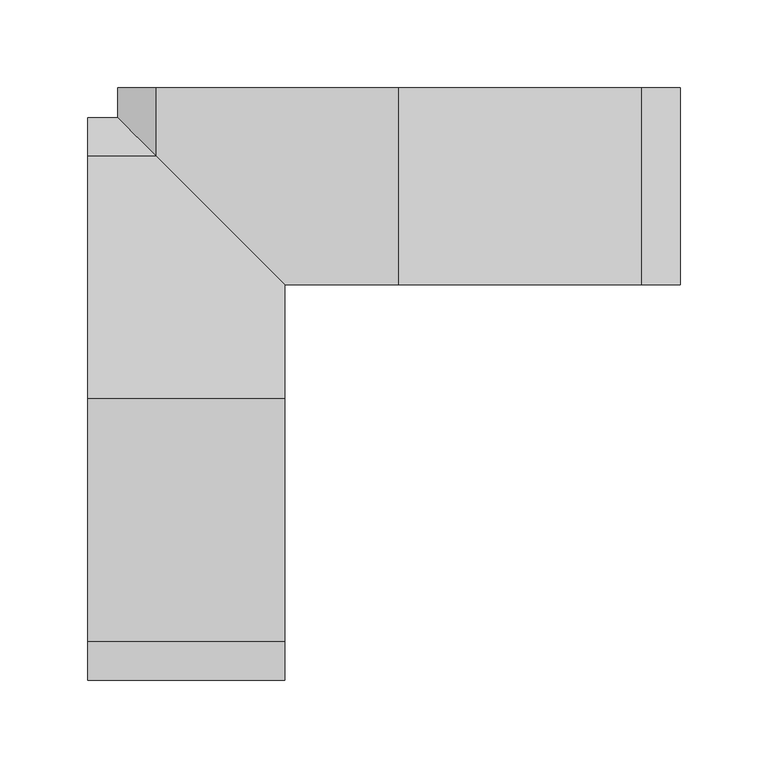
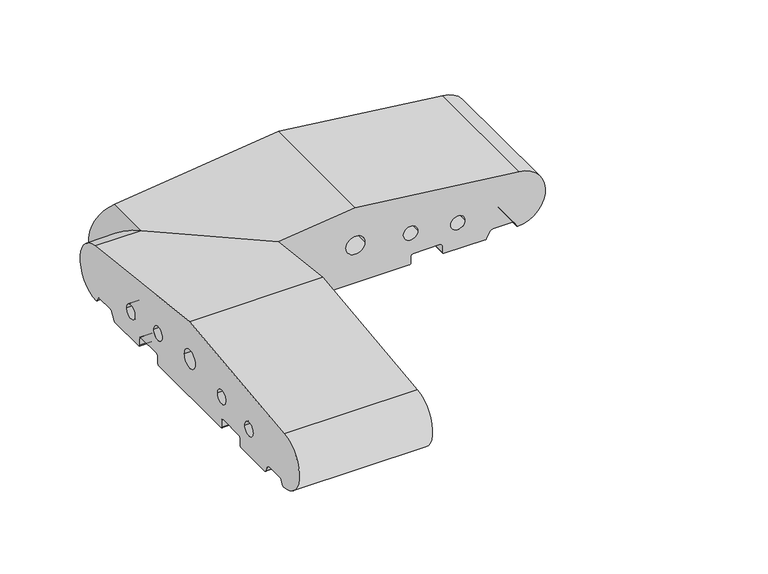
"""IFC4 building model written with IfcOpenShell, lengths in millimetres: proxy geometry."""

from ifc_helpers import new_model, si_unit, frame, origin, place, context, project, spatial, polyline, circle_curve, ellipse_curve, source, transform, mapped, element, save
from ifc_brep_helpers import plane_surface, cylinder_surface, revolved_surface, advanced_brep


def generic_models_8c4f1332(model_context):
    return source(origin(), model_context, "Body", "AdvancedBrep", [
        advanced_brep(
        [(1687.0, -61.5, 9.0), (1687.0, -45.0, 9.0), (1687.0, -45.0, 59.0930149), (1687.0, -110.0, 66.8161089), (1687.0, -248.0858073, 50.4091909), (1687.0, -246.5981483, 2.5074549), (1687.0, -245.7072001, 3.0071443), (1687.0, -243.6905989, 6.5), (1687.0, -241.9585481, 7.5), (1687.0, -225.4848276, 7.5), (1687.0, -223.7527767, 6.5), (1687.0, -220.2886751, 0.5), (1687.0, -219.4226497, 0.0), (1687.0, -184.5, 0.0), (1687.0, -183.5, 1.0), (1687.0, -183.5, 7.0), (1687.0, -181.5, 9.0), (1687.0, -158.5, 9.0), (1687.0, -156.5, 7.0), (1687.0, -156.5, 1.0), (1687.0, -155.5, 0.0), (1687.0, -64.5, 0.0), (1687.0, -63.5, 1.0), (1687.0, -63.5, 7.0), (1687.0, -202.220606, 23.1932995), (1687.0, -190.220606, 23.1932995), (1687.0, -162.5, 27.912776), (1687.0, -150.5, 27.912776), (1687.0, -117.9558517, 33.3783502), (1687.0, -102.0441483, 33.3783502), (1687.0, -69.5, 27.912776), (1687.0, -57.5, 27.912776), (1575.0, 26.5981483, 2.5074549), (1575.0, 25.7072001, 3.0071443), (1575.0, 23.6905989, 6.5), (1575.0, 21.9585481, 7.5), (1575.0, 5.4848276, 7.5), (1575.0, 3.7527767, 6.5), (1575.0, 0.2886751, 0.5), (1575.0, -0.5773503, 0.0), (1575.0, -35.5, 0.0), (1575.0, -36.5, 1.0), (1575.0, -36.5, 7.0), (1575.0, -38.5, 9.0), (1575.0, -61.5, 9.0), (1575.0, -63.5, 7.0), (1575.0, -63.5, 1.0), (1575.0, -64.5, 0.0), (1575.0, -155.5, 0.0), (1575.0, -156.5, 1.0), (1575.0, -156.5, 7.0), (1575.0, -158.5, 9.0), (1575.0, -181.5, 9.0), (1575.0, -183.5, 7.0), (1575.0, -183.5, 1.0), (1575.0, -184.5, 0.0), (1575.0, -219.4226497, 0.0), (1575.0, -220.2886751, 0.5), (1575.0, -223.7527767, 6.5), (1575.0, -225.4848276, 7.5), (1575.0, -241.9585481, 7.5), (1575.0, -243.6905989, 6.5), (1575.0, -245.7072001, 3.0071443), (1575.0, -246.5981483, 2.5074549), (1575.0, -248.0858073, 50.4091909), (1575.0, -110.0, 66.8161089), (1575.0, 28.0858073, 50.4091909), (1575.0, -202.220606, 23.1932995), (1575.0, -190.220606, 23.1932995), (1575.0, -162.5, 27.912776), (1575.0, -150.5, 27.912776), (1575.0, -117.9558517, 33.3783502), (1575.0, -102.0441483, 33.3783502), (1575.0, -69.5, 27.912776), (1575.0, -57.5, 27.912776), (1575.0, -29.779394, 23.1932995), (1575.0, -17.779394, 23.1932995), (1615.4018517, 26.5981483, 2.5074549), (1616.2927999, 25.7072001, 3.0071443), (1618.3094011, 23.6905989, 6.5), (1620.0414519, 21.9585481, 7.5), (1636.5151724, 5.4848276, 7.5), (1638.2472233, 3.7527767, 6.5), (1641.7113249, 0.2886751, 0.5), (1642.5773503, -0.5773503, 0.0), (1677.5, -35.5, 0.0), (1678.5, -36.5, 1.0), (1678.5, -36.5, 7.0), (1680.5, -38.5, 9.0), (1613.9141927, 28.0858073, 50.4091909), (1671.779394, -29.779394, 23.1932995), (1659.779394, -17.779394, 23.1932995)],
        [
            (0, 1),
            (1, 2),
            (2, 3),
            (3, 4),
            (4, 5, circle_curve(frame((1687.0, -246.0, 26.5), z_axis=(1.0, 0.0, 0.0), x_axis=(0.0, -0.08690863944627836, 0.9962162859487877)), 24.0)),
            (5, 6, circle_curve(frame((1687.0, -246.5732255, 3.5071443), z_axis=(1.0, 0.0, 0.0), x_axis=(0.0, -0.024922847684081085, -0.999689377588517)), 1.0)),
            (6, 7),
            (7, 8, circle_curve(frame((1687.0, -241.9585481, 5.5), z_axis=(-1.0, 0.0, 0.0), x_axis=(0.0, -0.8660254037844379, 0.5000000000000012)), 2.0)),
            (8, 9),
            (9, 10, circle_curve(frame((1687.0, -225.4848276, 5.5), z_axis=(-1.0, 0.0, 0.0), x_axis=(0.0, 0.0, 1.0)), 2.0)),
            (10, 11),
            (11, 12, circle_curve(frame((1687.0, -219.4226497, 1.0), z_axis=(1.0, 0.0, 0.0), x_axis=(0.0, -0.8660254037844339, -0.5000000000000082)), 1.0)),
            (12, 13),
            (13, 14, circle_curve(frame((1687.0, -184.5, 1.0), z_axis=(1.0, 0.0, 0.0), x_axis=(0.0, 0.0, -1.0)), 1.0)),
            (14, 15),
            (15, 16, circle_curve(frame((1687.0, -181.5, 7.0), z_axis=(-1.0, 0.0, 0.0), x_axis=(0.0, -1.0, 0.0)), 2.0)),
            (16, 17),
            (17, 18, circle_curve(frame((1687.0, -158.5, 7.0), z_axis=(-1.0, 0.0, 0.0), x_axis=(0.0, 0.0, 1.0)), 2.0)),
            (18, 19),
            (19, 20, circle_curve(frame((1687.0, -155.5, 1.0), z_axis=(1.0, 0.0, 0.0), x_axis=(0.0, -1.0, 0.0)), 1.0)),
            (20, 21),
            (21, 22, circle_curve(frame((1687.0, -64.5, 1.0), z_axis=(1.0, 0.0, 0.0), x_axis=(0.0, 1.0, 0.0)), 1.0)),
            (22, 23),
            (23, 0, circle_curve(frame((1687.0, -61.5, 7.0), z_axis=(-1.0, 0.0, 0.0), x_axis=(0.0, 0.0, 1.0)), 2.0)),
            (24, 25, circle_curve(frame((1687.0, -196.220606, 23.1932995), z_axis=(-1.0, 0.0, 0.0), x_axis=(0.0, 1.0, 0.0)), 6.0)),
            (25, 24, circle_curve(frame((1687.0, -196.220606, 23.1932995), z_axis=(-1.0, 0.0, 0.0), x_axis=(0.0, 1.0, 0.0)), 6.0)),
            (26, 27, circle_curve(frame((1687.0, -156.5, 27.912776), z_axis=(-1.0, 0.0, 0.0), x_axis=(0.0, 1.0, 0.0)), 6.0)),
            (27, 26, circle_curve(frame((1687.0, -156.5, 27.912776), z_axis=(-1.0, 0.0, 0.0), x_axis=(0.0, 1.0, 0.0)), 6.0)),
            (28, 29, circle_curve(frame((1687.0, -110.0, 33.3783502), z_axis=(-1.0, 0.0, 0.0), x_axis=(0.0, 1.0, 0.0)), 7.9558517)),
            (29, 28, circle_curve(frame((1687.0, -110.0, 33.3783502), z_axis=(-1.0, 0.0, 0.0), x_axis=(0.0, 1.0, 0.0)), 7.9558517)),
            (30, 31, circle_curve(frame((1687.0, -63.5, 27.912776), z_axis=(-1.0, 0.0, 0.0), x_axis=(0.0, 1.0, 0.0)), 6.0)),
            (31, 30, circle_curve(frame((1687.0, -63.5, 27.912776), z_axis=(-1.0, 0.0, 0.0), x_axis=(0.0, 1.0, 0.0)), 6.0)),
            (32, 33, circle_curve(frame((1575.0, 26.5732255, 3.5071443), z_axis=(-1.0, 0.0, 0.0), x_axis=(0.0, 0.024922847684081085, -0.999689377588517)), 1.0)),
            (33, 34),
            (34, 35, circle_curve(frame((1575.0, 21.9585481, 5.5), z_axis=(1.0, 0.0, 0.0), x_axis=(0.0, 0.8660254037844379, 0.5000000000000012)), 2.0)),
            (35, 36),
            (36, 37, circle_curve(frame((1575.0, 5.4848276, 5.5), z_axis=(1.0, 0.0, 0.0), x_axis=(0.0, 0.0, 1.0)), 2.0)),
            (37, 38),
            (38, 39, circle_curve(frame((1575.0, -0.5773503, 1.0), z_axis=(-1.0, 0.0, 0.0), x_axis=(0.0, 0.8660254037844339, -0.5000000000000082)), 1.0)),
            (39, 40),
            (40, 41, circle_curve(frame((1575.0, -35.5, 1.0), z_axis=(-1.0, 0.0, 0.0), x_axis=(0.0, 0.0, -1.0)), 1.0)),
            (41, 42),
            (42, 43, circle_curve(frame((1575.0, -38.5, 7.0), z_axis=(1.0, 0.0, 0.0), x_axis=(0.0, 1.0, 0.0)), 2.0)),
            (43, 44),
            (44, 45, circle_curve(frame((1575.0, -61.5, 7.0), z_axis=(1.0, 0.0, 0.0), x_axis=(0.0, 0.0, 1.0)), 2.0)),
            (45, 46),
            (46, 47, circle_curve(frame((1575.0, -64.5, 1.0), z_axis=(-1.0, 0.0, 0.0), x_axis=(0.0, 1.0, 0.0)), 1.0)),
            (47, 48),
            (48, 49, circle_curve(frame((1575.0, -155.5, 1.0), z_axis=(-1.0, 0.0, 0.0), x_axis=(0.0, -1.0, 0.0)), 1.0)),
            (49, 50),
            (50, 51, circle_curve(frame((1575.0, -158.5, 7.0), z_axis=(1.0, 0.0, 0.0), x_axis=(0.0, 0.0, 1.0)), 2.0)),
            (51, 52),
            (52, 53, circle_curve(frame((1575.0, -181.5, 7.0), z_axis=(1.0, 0.0, 0.0), x_axis=(0.0, -1.0, 0.0)), 2.0)),
            (53, 54),
            (54, 55, circle_curve(frame((1575.0, -184.5, 1.0), z_axis=(-1.0, 0.0, 0.0), x_axis=(0.0, 0.0, -1.0)), 1.0)),
            (55, 56),
            (56, 57, circle_curve(frame((1575.0, -219.4226497, 1.0), z_axis=(-1.0, 0.0, 0.0), x_axis=(0.0, -0.8660254037844339, -0.5000000000000082)), 1.0)),
            (57, 58),
            (58, 59, circle_curve(frame((1575.0, -225.4848276, 5.5), z_axis=(1.0, 0.0, 0.0), x_axis=(0.0, 0.0, 1.0)), 2.0)),
            (59, 60),
            (60, 61, circle_curve(frame((1575.0, -241.9585481, 5.5), z_axis=(1.0, 0.0, 0.0), x_axis=(0.0, -0.8660254037844379, 0.5000000000000012)), 2.0)),
            (61, 62),
            (62, 63, circle_curve(frame((1575.0, -246.5732255, 3.5071443), z_axis=(-1.0, 0.0, 0.0), x_axis=(0.0, -0.024922847684081085, -0.999689377588517)), 1.0)),
            (63, 64, circle_curve(frame((1575.0, -246.0, 26.5), z_axis=(-1.0, 0.0, 0.0), x_axis=(0.0, -0.08690863944627836, 0.9962162859487877)), 24.0)),
            (64, 65),
            (65, 66),
            (66, 32, circle_curve(frame((1575.0, 26.0, 26.5), z_axis=(-1.0, 0.0, 0.0), x_axis=(0.0, 0.08690863944627836, 0.9962162859487877)), 24.0)),
            (67, 68, circle_curve(frame((1575.0, -196.220606, 23.1932995), z_axis=(1.0, 0.0, 0.0), x_axis=(0.0, 1.0, 0.0)), 6.0)),
            (68, 67, circle_curve(frame((1575.0, -196.220606, 23.1932995), z_axis=(1.0, 0.0, 0.0), x_axis=(0.0, 1.0, 0.0)), 6.0)),
            (69, 70, circle_curve(frame((1575.0, -156.5, 27.912776), z_axis=(1.0, 0.0, 0.0), x_axis=(0.0, 1.0, 0.0)), 6.0)),
            (70, 69, circle_curve(frame((1575.0, -156.5, 27.912776), z_axis=(1.0, 0.0, 0.0), x_axis=(0.0, 1.0, 0.0)), 6.0)),
            (71, 72, circle_curve(frame((1575.0, -110.0, 33.3783502), z_axis=(1.0, 0.0, 0.0), x_axis=(0.0, 1.0, 0.0)), 7.9558517)),
            (72, 71, circle_curve(frame((1575.0, -110.0, 33.3783502), z_axis=(1.0, 0.0, 0.0), x_axis=(0.0, 1.0, 0.0)), 7.9558517)),
            (73, 74, circle_curve(frame((1575.0, -63.5, 27.912776), z_axis=(1.0, 0.0, 0.0), x_axis=(0.0, 1.0, 0.0)), 6.0)),
            (74, 73, circle_curve(frame((1575.0, -63.5, 27.912776), z_axis=(1.0, 0.0, 0.0), x_axis=(0.0, 1.0, 0.0)), 6.0)),
            (75, 76, circle_curve(frame((1575.0, -23.779394, 23.1932995), z_axis=(1.0, 0.0, 0.0), x_axis=(0.0, 1.0, 0.0)), 6.0)),
            (76, 75, circle_curve(frame((1575.0, -23.779394, 23.1932995), z_axis=(1.0, 0.0, 0.0), x_axis=(0.0, 1.0, 0.0)), 6.0)),
            (32, 77),
            (77, 78, ellipse_curve(frame((1615.4267745, 26.5732255, 3.5071443), z_axis=(-0.7071067811865447, -0.7071067811865503, 0.0), x_axis=(0.7071067811865503, -0.7071067811865447, 0.0)), 1.4142136, 1.0)),
            (78, 33),
            (78, 79),
            (79, 34),
            (79, 80, ellipse_curve(frame((1620.0414519, 21.9585481, 5.5), z_axis=(0.7071067811865447, 0.7071067811865503, 0.0), x_axis=(-0.7071067811865503, 0.7071067811865447, 0.0)), 2.8284271, 2.0)),
            (80, 35),
            (80, 81),
            (81, 36),
            (81, 82, ellipse_curve(frame((1636.5151724, 5.4848276, 5.5), z_axis=(0.7071067811865447, 0.7071067811865503, 0.0), x_axis=(-0.7071067811865503, 0.7071067811865447, 0.0)), 2.8284271, 2.0)),
            (82, 37),
            (82, 83),
            (83, 38),
            (83, 84, ellipse_curve(frame((1642.5773503, -0.5773503, 1.0), z_axis=(-0.7071067811865447, -0.7071067811865503, 0.0), x_axis=(0.7071067811865503, -0.7071067811865447, 0.0)), 1.4142136, 1.0)),
            (84, 39),
            (84, 85),
            (85, 40),
            (85, 86, ellipse_curve(frame((1677.5, -35.5, 1.0), z_axis=(-0.7071067811865447, -0.7071067811865503, 0.0), x_axis=(0.7071067811865503, -0.7071067811865447, 0.0)), 1.4142136, 1.0)),
            (86, 41),
            (86, 87),
            (87, 42),
            (87, 88, ellipse_curve(frame((1680.5, -38.5, 7.0), z_axis=(0.7071067811865447, 0.7071067811865503, 0.0), x_axis=(-0.7071067811865503, 0.7071067811865447, 0.0)), 2.8284271, 2.0)),
            (88, 43),
            (88, 1),
            (0, 44),
            (23, 45),
            (22, 46),
            (21, 47),
            (20, 48),
            (19, 49),
            (18, 50),
            (17, 51),
            (16, 52),
            (15, 53),
            (14, 54),
            (13, 55),
            (12, 56),
            (11, 57),
            (10, 58),
            (9, 59),
            (8, 60),
            (7, 61),
            (6, 62),
            (5, 63),
            (4, 64),
            (3, 65),
            (2, 89),
            (89, 66),
            (89, 77, ellipse_curve(frame((1616.0, 26.0, 26.5), z_axis=(-0.7071067811865447, -0.7071067811865503, 0.0), x_axis=(0.7071067811865503, -0.7071067811865447, 0.0)), 33.9411255, 24.0)),
            (25, 68),
            (67, 24),
            (27, 70),
            (69, 26),
            (29, 72),
            (71, 28),
            (31, 74),
            (73, 30),
            (75, 90),
            (90, 91, ellipse_curve(frame((1665.779394, -23.779394, 23.1932995), z_axis=(0.7071067811865447, 0.7071067811865503, 0.0), x_axis=(-0.7071067811865503, 0.7071067811865447, 0.0)), 8.4852814, 6.0)),
            (91, 76),
            (91, 90, ellipse_curve(frame((1665.779394, -23.779394, 23.1932995), z_axis=(0.7071067811865447, 0.7071067811865503, 0.0), x_axis=(-0.7071067811865503, 0.7071067811865447, 0.0)), 8.4852814, 6.0)),
        ],
        [
            plane_surface(frame((1687.0, 0.0, 0.0), z_axis=(1.0, 0.0, 0.0), x_axis=(0.0, 0.0, 1.0))),
            plane_surface(frame((1575.0, 0.0, 0.0), z_axis=(-1.0, 0.0, 0.0), x_axis=(0.0, 0.0, 1.0))),
            cylinder_surface(frame((1687.0, 26.5732255, 3.5071443), z_axis=(1.0000000000000002, 0.0, 0.0), x_axis=(0.0, 0.024922847684081085, -0.999689377588517)), 1.0),
            plane_surface(frame((1687.0, 25.7072001, 3.0071443), z_axis=(0.0, -0.8660254037844368, -0.5000000000000032), x_axis=(-1.0, 0.0, 0.0))),
            revolved_surface(polyline([(1575.0, 23.690598907568877, 6.500000000000003), (1622.0414518825019, 23.690598907568877, 6.500000000000003)]), (1687.0, 21.9585481, 5.5), (-1.0, 0.0, 0.0)),
            plane_surface(frame((1687.0, 21.9585481, 7.5), z_axis=(0.0, 0.0, -1.0), x_axis=(-1.0, 0.0, 0.0))),
            revolved_surface(polyline([(1575.0, 5.4848276, 7.5), (1638.5151723825018, 5.4848276, 7.5)]), (1687.0, 5.4848276, 5.5), (-1.0, 0.0, 0.0)),
            plane_surface(frame((1687.0, 3.7527767, 6.5), z_axis=(0.0, 0.8660254037844349, -0.5000000000000064), x_axis=(-1.0, 0.0, 0.0))),
            cylinder_surface(frame((1687.0, -0.5773503, 1.0), z_axis=(1.0, 0.0, 0.0), x_axis=(0.0, 0.8660254037844339, -0.5000000000000082)), 1.0),
            plane_surface(frame((1687.0, -0.5773503, 0.0), z_axis=(0.0, 0.0, -1.0), x_axis=(-1.0, 0.0, 0.0))),
            cylinder_surface(frame((1687.0, -35.5, 1.0), z_axis=(1.0, 0.0, 0.0), x_axis=(0.0, 0.0, -1.0)), 1.0),
            plane_surface(frame((1687.0, -36.5, 1.0), z_axis=(0.0, -1.0, 0.0), x_axis=(-1.0, 0.0, 0.0))),
            revolved_surface(polyline([(1575.0, -36.5, 7.0), (1682.4999999825018, -36.5, 7.0)]), (1687.0, -38.5, 7.0), (-1.0, 0.0, 0.0)),
            plane_surface(frame((1687.0, -38.5, 9.0), z_axis=(0.0, 0.0, -1.0), x_axis=(-1.0, 0.0, 0.0))),
            revolved_surface(polyline([(1575.0, -61.5, 9.0), (1687.0, -61.5, 9.0)]), (1687.0, -61.5, 7.0), (-1.0, 0.0, 0.0)),
            plane_surface(frame((1687.0, -63.5, 7.0), z_axis=(0.0, 1.0, 0.0), x_axis=(-1.0, 0.0, 0.0))),
            cylinder_surface(frame((1687.0, -64.5, 1.0), z_axis=(1.0, 0.0, 0.0), x_axis=(0.0, 1.0, 0.0)), 1.0),
            plane_surface(frame((1687.0, -64.5, 0.0), z_axis=(0.0, 0.0, -1.0), x_axis=(-1.0, 0.0, 0.0))),
            cylinder_surface(frame((1687.0, -155.5, 1.0), z_axis=(1.0, 0.0, 0.0), x_axis=(0.0, -1.0, 0.0)), 1.0),
            plane_surface(frame((1687.0, -156.5, 1.0), z_axis=(0.0, -1.0, 0.0), x_axis=(-1.0, 0.0, 0.0))),
            revolved_surface(polyline([(1575.0, -158.5, 9.0), (1687.0, -158.5, 9.0)]), (1687.0, -158.5, 7.0), (-1.0, 0.0, 0.0)),
            plane_surface(frame((1687.0, -158.5, 9.0), z_axis=(0.0, 0.0, -1.0), x_axis=(-1.0, 0.0, 0.0))),
            revolved_surface(polyline([(1575.0, -183.5, 7.0), (1687.0, -183.5, 7.0)]), (1687.0, -181.5, 7.0), (-1.0, 0.0, 0.0)),
            plane_surface(frame((1687.0, -183.5, 7.0), z_axis=(0.0, 1.0, 0.0), x_axis=(-1.0, 0.0, 0.0))),
            cylinder_surface(frame((1687.0, -184.5, 1.0), z_axis=(1.0, 0.0, 0.0), x_axis=(0.0, 0.0, -1.0)), 1.0),
            plane_surface(frame((1687.0, -184.5, 0.0), z_axis=(0.0, 0.0, -1.0), x_axis=(-1.0, 0.0, 0.0))),
            cylinder_surface(frame((1687.0, -219.4226497, 1.0), z_axis=(1.0, 0.0, 0.0), x_axis=(0.0, -0.8660254037844339, -0.5000000000000082)), 1.0),
            plane_surface(frame((1687.0, -220.2886751, 0.5), z_axis=(0.0, -0.8660254037844349, -0.5000000000000064), x_axis=(-1.0, 0.0, 0.0))),
            revolved_surface(polyline([(1575.0, -225.4848276, 7.5), (1687.0, -225.4848276, 7.5)]), (1687.0, -225.4848276, 5.5), (-1.0, 0.0, 0.0)),
            plane_surface(frame((1687.0, -225.4848276, 7.5), z_axis=(0.0, 0.0, -1.0), x_axis=(-1.0, 0.0, 0.0))),
            revolved_surface(polyline([(1575.0, -243.69059890756887, 6.500000000000003), (1687.0, -243.69059890756887, 6.500000000000003)]), (1687.0, -241.9585481, 5.5), (-1.0, 0.0, 0.0)),
            plane_surface(frame((1687.0, -243.6905989, 6.5), z_axis=(0.0, 0.8660254037844368, -0.5000000000000032), x_axis=(-1.0, 0.0, 0.0))),
            cylinder_surface(frame((1687.0, -246.5732255, 3.5071443), z_axis=(1.0000000000000002, 0.0, 0.0), x_axis=(0.0, -0.024922847684081085, -0.999689377588517)), 1.0),
            cylinder_surface(frame((1687.0, -246.0, 26.5), z_axis=(1.0, 0.0, 0.0), x_axis=(0.0, -0.08690863944627836, 0.9962162859487877)), 24.0),
            plane_surface(frame((1687.0, -248.0858073, 50.4091909), z_axis=(0.0, -0.11798691299107526, 0.9930151501174777), x_axis=(-1.0, 0.0, 0.0))),
            plane_surface(frame((1687.0, -110.0, 66.8161089), z_axis=(0.0, 0.11798691299107526, 0.9930151501174777), x_axis=(-1.0, 0.0, 0.0))),
            cylinder_surface(frame((1687.0, 26.0, 26.5), z_axis=(1.0, 0.0, 0.0), x_axis=(0.0, 0.08690863944627836, 0.9962162859487877)), 24.0),
            revolved_surface(polyline([(1575.0, -190.220606, 23.1932995), (1687.0, -190.220606, 23.1932995)]), (1687.0, -196.220606, 23.1932995), (-1.0, 0.0, 0.0)),
            revolved_surface(polyline([(1575.0, -150.5, 27.912776), (1687.0, -150.5, 27.912776)]), (1687.0, -156.5, 27.912776), (-1.0, 0.0, 0.0)),
            revolved_surface(polyline([(1575.0, -102.0441483, 33.3783502), (1687.0, -102.0441483, 33.3783502)]), (1687.0, -110.0, 33.3783502), (-1.0, 0.0, 0.0)),
            revolved_surface(polyline([(1575.0, -57.5, 27.912776), (1687.0, -57.5, 27.912776)]), (1687.0, -63.5, 27.912776), (-1.0, 0.0, 0.0)),
            revolved_surface(polyline([(1575.0, -17.779394, 23.1932995), (1671.779394018216, -17.779394, 23.1932995)]), (1687.0, -23.779394, 23.1932995), (-1.0, 0.0, 0.0)),
            plane_surface(frame((1687.0, -45.0, 250.0), z_axis=(0.7071067811865447, 0.7071067811865503, 0.0), x_axis=(0.0, 0.0, -1.0))),
        ],
        [
            (0, [[1, 2, 3, 4, 5, 6, 7, 8, 9, 10, 11, 12, 13, 14, 15, 16, 17, 18, 19, 20, 21, 22, 23, 24], [25, 26], [27, 28], [29, 30], [31, 32]]),
            (1, [[33, 34, 35, 36, 37, 38, 39, 40, 41, 42, 43, 44, 45, 46, 47, 48, 49, 50, 51, 52, 53, 54, 55, 56, 57, 58, 59, 60, 61, 62, 63, 64, 65, 66, 67], [68, 69], [70, 71], [72, 73], [74, 75], [76, 77]]),
            (2, [[78, 79, 80, -33]]),
            (3, [[-80, 81, 82, -34]]),
            (4, [[-82, 83, 84, -35]]),
            (5, [[-84, 85, 86, -36]]),
            (6, [[-86, 87, 88, -37]]),
            (7, [[-88, 89, 90, -38]]),
            (8, [[-90, 91, 92, -39]]),
            (9, [[-92, 93, 94, -40]]),
            (10, [[-94, 95, 96, -41]]),
            (11, [[-96, 97, 98, -42]]),
            (12, [[-98, 99, 100, -43]]),
            (13, [[-100, 101, -1, 102, -44]]),
            (14, [[103, -45, -102, -24]]),
            (15, [[104, -46, -103, -23]]),
            (16, [[105, -47, -104, -22]]),
            (17, [[106, -48, -105, -21]]),
            (18, [[107, -49, -106, -20]]),
            (19, [[108, -50, -107, -19]]),
            (20, [[109, -51, -108, -18]]),
            (21, [[110, -52, -109, -17]]),
            (22, [[111, -53, -110, -16]]),
            (23, [[112, -54, -111, -15]]),
            (24, [[113, -55, -112, -14]]),
            (25, [[114, -56, -113, -13]]),
            (26, [[115, -57, -114, -12]]),
            (27, [[116, -58, -115, -11]]),
            (28, [[117, -59, -116, -10]]),
            (29, [[118, -60, -117, -9]]),
            (30, [[119, -61, -118, -8]]),
            (31, [[120, -62, -119, -7]]),
            (32, [[121, -63, -120, -6]]),
            (33, [[122, -64, -121, -5]]),
            (34, [[123, -65, -122, -4]]),
            (35, [[-123, -3, 124, 125, -66]]),
            (36, [[-125, 126, -78, -67]]),
            (37, [[127, -68, 128, -26]]),
            (37, [[-128, -69, -127, -25]]),
            (38, [[129, -70, 130, -28]]),
            (38, [[-130, -71, -129, -27]]),
            (39, [[131, -72, 132, -30]]),
            (39, [[-132, -73, -131, -29]]),
            (40, [[133, -74, 134, -32]]),
            (40, [[-134, -75, -133, -31]]),
            (41, [[135, 136, 137, -76]]),
            (41, [[-137, 138, -135, -77]]),
            (42, [[-101, -99, -97, -95, -93, -91, -89, -87, -85, -83, -81, -79, -126, -124, -2], [-138, -136]]),
        ],
    ),
        advanced_brep(
        [(1615.4018517, 67.0, 2.5074549), (1613.9141927, 67.0, 50.4091909), (1752.0, 67.0, 66.8161089), (1890.0858073, 67.0, 50.4091909), (1888.5981483, 67.0, 2.5074549), (1887.7072001, 67.0, 3.0071443), (1885.6905989, 67.0, 6.5), (1883.9585481, 67.0, 7.5), (1867.4848276, 67.0, 7.5), (1865.7527767, 67.0, 6.5), (1862.2886751, 67.0, 0.5), (1861.4226497, 67.0, 0.0), (1826.5, 67.0, 0.0), (1825.5, 67.0, 1.0), (1825.5, 67.0, 7.0), (1823.5, 67.0, 9.0), (1800.5, 67.0, 9.0), (1798.5, 67.0, 7.0), (1798.5, 67.0, 1.0), (1797.5, 67.0, 0.0), (1706.5, 67.0, 0.0), (1705.5, 67.0, 1.0), (1705.5, 67.0, 7.0), (1703.5, 67.0, 9.0), (1680.5, 67.0, 9.0), (1678.5, 67.0, 7.0), (1678.5, 67.0, 1.0), (1677.5, 67.0, 0.0), (1642.5773503, 67.0, 0.0), (1641.7113249, 67.0, 0.5), (1638.2472233, 67.0, 6.5), (1636.5151724, 67.0, 7.5), (1620.0414519, 67.0, 7.5), (1618.3094011, 67.0, 6.5), (1616.2927999, 67.0, 3.0071443), (1844.220606, 67.0, 23.1932995), (1832.220606, 67.0, 23.1932995), (1804.5, 67.0, 27.912776), (1792.5, 67.0, 27.912776), (1759.9558517, 67.0, 33.3783502), (1744.0441483, 67.0, 33.3783502), (1711.5, 67.0, 27.912776), (1699.5, 67.0, 27.912776), (1671.779394, 67.0, 23.1932995), (1659.779394, 67.0, 23.1932995), (1752.0, -45.0, 66.8161089), (1687.0, -45.0, 59.0930149), (1687.0, -45.0, 9.0), (1703.5, -45.0, 9.0), (1705.5, -45.0, 7.0), (1705.5, -45.0, 1.0), (1706.5, -45.0, 0.0), (1797.5, -45.0, 0.0), (1798.5, -45.0, 1.0), (1798.5, -45.0, 7.0), (1800.5, -45.0, 9.0), (1823.5, -45.0, 9.0), (1825.5, -45.0, 7.0), (1825.5, -45.0, 1.0), (1826.5, -45.0, 0.0), (1861.4226497, -45.0, 0.0), (1862.2886751, -45.0, 0.5), (1865.7527767, -45.0, 6.5), (1867.4848276, -45.0, 7.5), (1883.9585481, -45.0, 7.5), (1885.6905989, -45.0, 6.5), (1887.7072001, -45.0, 3.0071443), (1888.5981483, -45.0, 2.5074549), (1890.0858073, -45.0, 50.4091909), (1844.220606, -45.0, 23.1932995), (1832.220606, -45.0, 23.1932995), (1804.5, -45.0, 27.912776), (1792.5, -45.0, 27.912776), (1759.9558517, -45.0, 33.3783502), (1744.0441483, -45.0, 33.3783502), (1711.5, -45.0, 27.912776), (1699.5, -45.0, 27.912776), (1616.2927999, 25.7072001, 3.0071443), (1615.4018517, 26.5981483, 2.5074549), (1618.3094011, 23.6905989, 6.5), (1620.0414519, 21.9585481, 7.5), (1636.5151724, 5.4848276, 7.5), (1638.2472233, 3.7527767, 6.5), (1641.7113249, 0.2886751, 0.5), (1642.5773503, -0.5773503, 0.0), (1677.5, -35.5, 0.0), (1678.5, -36.5, 1.0), (1678.5, -36.5, 7.0), (1680.5, -38.5, 9.0), (1613.9141927, 28.0858073, 50.4091909), (1659.779394, -17.779394, 23.1932995), (1671.779394, -29.779394, 23.1932995)],
        [
            (0, 1, circle_curve(frame((1616.0, 67.0, 26.5), z_axis=(0.0, 1.0, 0.0), x_axis=(-0.08690863944627836, 0.0, 0.9962162859487877)), 24.0)),
            (1, 2),
            (2, 3),
            (3, 4, circle_curve(frame((1888.0, 67.0, 26.5), z_axis=(0.0, 1.0, 0.0), x_axis=(0.08690863944627836, 0.0, 0.9962162859487877)), 24.0)),
            (4, 5, circle_curve(frame((1888.5732255, 67.0, 3.5071443), z_axis=(0.0, 1.0, 0.0), x_axis=(0.024922847684081085, 0.0, -0.999689377588517)), 1.0)),
            (5, 6),
            (6, 7, circle_curve(frame((1883.9585481, 67.0, 5.5), z_axis=(0.0, -1.0, 0.0), x_axis=(0.8660254037844379, 0.0, 0.5000000000000012)), 2.0)),
            (7, 8),
            (8, 9, circle_curve(frame((1867.4848276, 67.0, 5.5), z_axis=(0.0, -1.0, 0.0), x_axis=(0.0, 0.0, 1.0)), 2.0)),
            (9, 10),
            (10, 11, circle_curve(frame((1861.4226497, 67.0, 1.0), z_axis=(0.0, 1.0, 0.0), x_axis=(0.8660254037844339, 0.0, -0.5000000000000082)), 1.0)),
            (11, 12),
            (12, 13, circle_curve(frame((1826.5, 67.0, 1.0), z_axis=(0.0, 1.0, 0.0), x_axis=(0.0, 0.0, -1.0)), 1.0)),
            (13, 14),
            (14, 15, circle_curve(frame((1823.5, 67.0, 7.0), z_axis=(0.0, -1.0, 0.0), x_axis=(1.0, 0.0, 0.0)), 2.0)),
            (15, 16),
            (16, 17, circle_curve(frame((1800.5, 67.0, 7.0), z_axis=(0.0, -1.0, 0.0), x_axis=(0.0, 0.0, 1.0)), 2.0)),
            (17, 18),
            (18, 19, circle_curve(frame((1797.5, 67.0, 1.0), z_axis=(0.0, 1.0, 0.0), x_axis=(1.0, 0.0, 0.0)), 1.0)),
            (19, 20),
            (20, 21, circle_curve(frame((1706.5, 67.0, 1.0), z_axis=(0.0, 1.0, 0.0), x_axis=(-1.0, 0.0, 0.0)), 1.0)),
            (21, 22),
            (22, 23, circle_curve(frame((1703.5, 67.0, 7.0), z_axis=(0.0, -1.0, 0.0), x_axis=(0.0, 0.0, 1.0)), 2.0)),
            (23, 24),
            (24, 25, circle_curve(frame((1680.5, 67.0, 7.0), z_axis=(0.0, -1.0, 0.0), x_axis=(-1.0, 0.0, 0.0)), 2.0)),
            (25, 26),
            (26, 27, circle_curve(frame((1677.5, 67.0, 1.0), z_axis=(0.0, 1.0, 0.0), x_axis=(0.0, 0.0, -1.0)), 1.0)),
            (27, 28),
            (28, 29, circle_curve(frame((1642.5773503, 67.0, 1.0), z_axis=(0.0, 1.0, 0.0), x_axis=(-0.8660254037844339, 0.0, -0.5000000000000082)), 1.0)),
            (29, 30),
            (30, 31, circle_curve(frame((1636.5151724, 67.0, 5.5), z_axis=(0.0, -1.0, 0.0), x_axis=(0.0, 0.0, 1.0)), 2.0)),
            (31, 32),
            (32, 33, circle_curve(frame((1620.0414519, 67.0, 5.5), z_axis=(0.0, -1.0, 0.0), x_axis=(-0.8660254037844379, 0.0, 0.5000000000000012)), 2.0)),
            (33, 34),
            (34, 0, circle_curve(frame((1615.4267745, 67.0, 3.5071443), z_axis=(0.0, 1.0, 0.0), x_axis=(-0.024922847684081085, 0.0, -0.999689377588517)), 1.0)),
            (35, 36, circle_curve(frame((1838.220606, 67.0, 23.1932995), z_axis=(0.0, -1.0, 0.0), x_axis=(-1.0, 0.0, 0.0)), 6.0)),
            (36, 35, circle_curve(frame((1838.220606, 67.0, 23.1932995), z_axis=(0.0, -1.0, 0.0), x_axis=(-1.0, 0.0, 0.0)), 6.0)),
            (37, 38, circle_curve(frame((1798.5, 67.0, 27.912776), z_axis=(0.0, -1.0, 0.0), x_axis=(-1.0, 0.0, 0.0)), 6.0)),
            (38, 37, circle_curve(frame((1798.5, 67.0, 27.912776), z_axis=(0.0, -1.0, 0.0), x_axis=(-1.0, 0.0, 0.0)), 6.0)),
            (39, 40, circle_curve(frame((1752.0, 67.0, 33.3783502), z_axis=(0.0, -1.0, 0.0), x_axis=(-1.0, 0.0, 0.0)), 7.9558517)),
            (40, 39, circle_curve(frame((1752.0, 67.0, 33.3783502), z_axis=(0.0, -1.0, 0.0), x_axis=(-1.0, 0.0, 0.0)), 7.9558517)),
            (41, 42, circle_curve(frame((1705.5, 67.0, 27.912776), z_axis=(0.0, -1.0, 0.0), x_axis=(-1.0, 0.0, 0.0)), 6.0)),
            (42, 41, circle_curve(frame((1705.5, 67.0, 27.912776), z_axis=(0.0, -1.0, 0.0), x_axis=(-1.0, 0.0, 0.0)), 6.0)),
            (43, 44, circle_curve(frame((1665.779394, 67.0, 23.1932995), z_axis=(0.0, -1.0, 0.0), x_axis=(-1.0, 0.0, 0.0)), 6.0)),
            (44, 43, circle_curve(frame((1665.779394, 67.0, 23.1932995), z_axis=(0.0, -1.0, 0.0), x_axis=(-1.0, 0.0, 0.0)), 6.0)),
            (45, 46),
            (46, 47),
            (47, 48),
            (48, 49, circle_curve(frame((1703.5, -45.0, 7.0), z_axis=(0.0, 1.0, 0.0), x_axis=(0.0, 0.0, 1.0)), 2.0)),
            (49, 50),
            (50, 51, circle_curve(frame((1706.5, -45.0, 1.0), z_axis=(0.0, -1.0, 0.0), x_axis=(-1.0, 0.0, 0.0)), 1.0)),
            (51, 52),
            (52, 53, circle_curve(frame((1797.5, -45.0, 1.0), z_axis=(0.0, -1.0, 0.0), x_axis=(1.0, 0.0, 0.0)), 1.0)),
            (53, 54),
            (54, 55, circle_curve(frame((1800.5, -45.0, 7.0), z_axis=(0.0, 1.0, 0.0), x_axis=(0.0, 0.0, 1.0)), 2.0)),
            (55, 56),
            (56, 57, circle_curve(frame((1823.5, -45.0, 7.0), z_axis=(0.0, 1.0, 0.0), x_axis=(1.0, 0.0, 0.0)), 2.0)),
            (57, 58),
            (58, 59, circle_curve(frame((1826.5, -45.0, 1.0), z_axis=(0.0, -1.0, 0.0), x_axis=(0.0, 0.0, -1.0)), 1.0)),
            (59, 60),
            (60, 61, circle_curve(frame((1861.4226497, -45.0, 1.0), z_axis=(0.0, -1.0, 0.0), x_axis=(0.8660254037844339, 0.0, -0.5000000000000082)), 1.0)),
            (61, 62),
            (62, 63, circle_curve(frame((1867.4848276, -45.0, 5.5), z_axis=(0.0, 1.0, 0.0), x_axis=(0.0, 0.0, 1.0)), 2.0)),
            (63, 64),
            (64, 65, circle_curve(frame((1883.9585481, -45.0, 5.5), z_axis=(0.0, 1.0, 0.0), x_axis=(0.8660254037844379, 0.0, 0.5000000000000012)), 2.0)),
            (65, 66),
            (66, 67, circle_curve(frame((1888.5732255, -45.0, 3.5071443), z_axis=(0.0, -1.0, 0.0), x_axis=(0.024922847684081085, 0.0, -0.999689377588517)), 1.0)),
            (67, 68, circle_curve(frame((1888.0, -45.0, 26.5), z_axis=(0.0, -1.0, 0.0), x_axis=(0.08690863944627836, 0.0, 0.9962162859487877)), 24.0)),
            (68, 45),
            (69, 70, circle_curve(frame((1838.220606, -45.0, 23.1932995), z_axis=(0.0, 1.0, 0.0), x_axis=(-1.0, 0.0, 0.0)), 6.0)),
            (70, 69, circle_curve(frame((1838.220606, -45.0, 23.1932995), z_axis=(0.0, 1.0, 0.0), x_axis=(-1.0, 0.0, 0.0)), 6.0)),
            (71, 72, circle_curve(frame((1798.5, -45.0, 27.912776), z_axis=(0.0, 1.0, 0.0), x_axis=(-1.0, 0.0, 0.0)), 6.0)),
            (72, 71, circle_curve(frame((1798.5, -45.0, 27.912776), z_axis=(0.0, 1.0, 0.0), x_axis=(-1.0, 0.0, 0.0)), 6.0)),
            (73, 74, circle_curve(frame((1752.0, -45.0, 33.3783502), z_axis=(0.0, 1.0, 0.0), x_axis=(-1.0, 0.0, 0.0)), 7.9558517)),
            (74, 73, circle_curve(frame((1752.0, -45.0, 33.3783502), z_axis=(0.0, 1.0, 0.0), x_axis=(-1.0, 0.0, 0.0)), 7.9558517)),
            (75, 76, circle_curve(frame((1705.5, -45.0, 27.912776), z_axis=(0.0, 1.0, 0.0), x_axis=(-1.0, 0.0, 0.0)), 6.0)),
            (76, 75, circle_curve(frame((1705.5, -45.0, 27.912776), z_axis=(0.0, 1.0, 0.0), x_axis=(-1.0, 0.0, 0.0)), 6.0)),
            (34, 77),
            (77, 78, ellipse_curve(frame((1615.4267745, 26.5732255, 3.5071443), z_axis=(0.7071067811865448, 0.7071067811865502, 0.0), x_axis=(-0.7071067811865502, 0.7071067811865448, 0.0)), 1.4142136, 1.0)),
            (78, 0),
            (33, 79),
            (79, 77),
            (32, 80),
            (80, 79, ellipse_curve(frame((1620.0414519, 21.9585481, 5.5), z_axis=(-0.7071067811865448, -0.7071067811865502, 0.0), x_axis=(0.7071067811865502, -0.7071067811865448, 0.0)), 2.8284271, 2.0)),
            (31, 81),
            (81, 80),
            (30, 82),
            (82, 81, ellipse_curve(frame((1636.5151724, 5.4848276, 5.5), z_axis=(-0.7071067811865448, -0.7071067811865502, 0.0), x_axis=(0.7071067811865502, -0.7071067811865448, 0.0)), 2.8284271, 2.0)),
            (29, 83),
            (83, 82),
            (28, 84),
            (84, 83, ellipse_curve(frame((1642.5773503, -0.5773503, 1.0), z_axis=(0.7071067811865448, 0.7071067811865502, 0.0), x_axis=(-0.7071067811865502, 0.7071067811865448, 0.0)), 1.4142136, 1.0)),
            (27, 85),
            (85, 84),
            (26, 86),
            (86, 85, ellipse_curve(frame((1677.5, -35.5, 1.0), z_axis=(0.7071067811865448, 0.7071067811865502, 0.0), x_axis=(-0.7071067811865502, 0.7071067811865448, 0.0)), 1.4142136, 1.0)),
            (25, 87),
            (87, 86),
            (24, 88),
            (88, 87, ellipse_curve(frame((1680.5, -38.5, 7.0), z_axis=(-0.7071067811865448, -0.7071067811865502, 0.0), x_axis=(0.7071067811865502, -0.7071067811865448, 0.0)), 2.8284271, 2.0)),
            (23, 48),
            (47, 88),
            (22, 49),
            (21, 50),
            (20, 51),
            (19, 52),
            (18, 53),
            (17, 54),
            (16, 55),
            (15, 56),
            (14, 57),
            (13, 58),
            (12, 59),
            (11, 60),
            (10, 61),
            (9, 62),
            (8, 63),
            (7, 64),
            (6, 65),
            (5, 66),
            (4, 67),
            (3, 68),
            (2, 45),
            (1, 89),
            (89, 46),
            (78, 89, ellipse_curve(frame((1616.0, 26.0, 26.5), z_axis=(0.7071067811865448, 0.7071067811865502, 0.0), x_axis=(-0.7071067811865502, 0.7071067811865448, 0.0)), 33.9411255, 24.0)),
            (36, 70),
            (69, 35),
            (38, 72),
            (71, 37),
            (40, 74),
            (73, 39),
            (42, 76),
            (75, 41),
            (44, 90),
            (90, 91, ellipse_curve(frame((1665.779394, -23.779394, 23.1932995), z_axis=(-0.7071067811865448, -0.7071067811865502, 0.0), x_axis=(0.7071067811865502, -0.7071067811865448, 0.0)), 8.4852814, 6.0)),
            (91, 43),
            (91, 90, ellipse_curve(frame((1665.779394, -23.779394, 23.1932995), z_axis=(-0.7071067811865448, -0.7071067811865502, 0.0), x_axis=(0.7071067811865502, -0.7071067811865448, 0.0)), 8.4852814, 6.0)),
        ],
        [
            plane_surface(frame((1642.0, 67.0, 0.0), z_axis=(0.0, 1.0, 0.0), x_axis=(0.0, 0.0, 1.0))),
            plane_surface(frame((1642.0, -45.0, 0.0), z_axis=(0.0, -1.0, 0.0), x_axis=(0.0, 0.0, 1.0))),
            cylinder_surface(frame((1615.4267745, 67.0, 3.5071443), z_axis=(0.0, 1.0000000000000002, 0.0), x_axis=(-0.024922847684081085, 0.0, -0.999689377588517)), 1.0),
            plane_surface(frame((1616.2927999, 67.0, 3.0071443), z_axis=(0.8660254037844368, 0.0, -0.5000000000000032), x_axis=(0.0, -1.0, 0.0))),
            revolved_surface(polyline([(1618.3094010924312, 19.95854811749821, 6.500000000000003), (1618.3094010924312, 67.0, 6.500000000000003)]), (1620.0414519, 67.0, 5.5), (0.0, -1.0, 0.0)),
            plane_surface(frame((1620.0414519, 67.0, 7.5), z_axis=(0.0, 0.0, -1.0), x_axis=(0.0, -1.0, 0.0))),
            revolved_surface(polyline([(1636.5151724, 3.484827617498212, 7.5), (1636.5151724, 67.0, 7.5)]), (1636.5151724, 67.0, 5.5), (0.0, -1.0, 0.0)),
            plane_surface(frame((1638.2472233, 67.0, 6.5), z_axis=(-0.8660254037844349, 0.0, -0.5000000000000064), x_axis=(0.0, -1.0, 0.0))),
            cylinder_surface(frame((1642.5773503, 67.0, 1.0), z_axis=(0.0, 1.0, 0.0), x_axis=(-0.8660254037844339, 0.0, -0.5000000000000082)), 1.0),
            plane_surface(frame((1642.5773503, 67.0, 0.0), z_axis=(0.0, 0.0, -1.0), x_axis=(0.0, -1.0, 0.0))),
            cylinder_surface(frame((1677.5, 67.0, 1.0), z_axis=(0.0, 1.0, 0.0), x_axis=(0.0, 0.0, -1.0)), 1.0),
            plane_surface(frame((1678.5, 67.0, 1.0), z_axis=(1.0, 0.0, 0.0), x_axis=(0.0, -1.0, 0.0))),
            revolved_surface(polyline([(1678.5, -40.49999998250179, 7.0), (1678.5, 67.0, 7.0)]), (1680.5, 67.0, 7.0), (0.0, -1.0, 0.0)),
            plane_surface(frame((1680.5, 67.0, 9.0), z_axis=(0.0, 0.0, -1.0), x_axis=(0.0, -1.0, 0.0))),
            revolved_surface(polyline([(1703.5, -45.0, 9.0), (1703.5, 67.0, 9.0)]), (1703.5, 67.0, 7.0), (0.0, -1.0, 0.0)),
            plane_surface(frame((1705.5, 67.0, 7.0), z_axis=(-1.0, 0.0, 0.0), x_axis=(0.0, -1.0, 0.0))),
            cylinder_surface(frame((1706.5, 67.0, 1.0), z_axis=(0.0, 1.0, 0.0), x_axis=(-1.0, 0.0, 0.0)), 1.0),
            plane_surface(frame((1706.5, 67.0, 0.0), z_axis=(0.0, 0.0, -1.0), x_axis=(0.0, -1.0, 0.0))),
            cylinder_surface(frame((1797.5, 67.0, 1.0), z_axis=(0.0, 1.0, 0.0), x_axis=(1.0, 0.0, 0.0)), 1.0),
            plane_surface(frame((1798.5, 67.0, 1.0), z_axis=(1.0, 0.0, 0.0), x_axis=(0.0, -1.0, 0.0))),
            revolved_surface(polyline([(1800.5, -45.0, 9.0), (1800.5, 67.0, 9.0)]), (1800.5, 67.0, 7.0), (0.0, -1.0, 0.0)),
            plane_surface(frame((1800.5, 67.0, 9.0), z_axis=(0.0, 0.0, -1.0), x_axis=(0.0, -1.0, 0.0))),
            revolved_surface(polyline([(1825.5, -45.0, 7.0), (1825.5, 67.0, 7.0)]), (1823.5, 67.0, 7.0), (0.0, -1.0, 0.0)),
            plane_surface(frame((1825.5, 67.0, 7.0), z_axis=(-1.0, 0.0, 0.0), x_axis=(0.0, -1.0, 0.0))),
            cylinder_surface(frame((1826.5, 67.0, 1.0), z_axis=(0.0, 1.0, 0.0), x_axis=(0.0, 0.0, -1.0)), 1.0),
            plane_surface(frame((1826.5, 67.0, 0.0), z_axis=(0.0, 0.0, -1.0), x_axis=(0.0, -1.0, 0.0))),
            cylinder_surface(frame((1861.4226497, 67.0, 1.0), z_axis=(0.0, 1.0, 0.0), x_axis=(0.8660254037844339, 0.0, -0.5000000000000082)), 1.0),
            plane_surface(frame((1862.2886751, 67.0, 0.5), z_axis=(0.8660254037844349, 0.0, -0.5000000000000064), x_axis=(0.0, -1.0, 0.0))),
            revolved_surface(polyline([(1867.4848276, -45.0, 7.5), (1867.4848276, 67.0, 7.5)]), (1867.4848276, 67.0, 5.5), (0.0, -1.0, 0.0)),
            plane_surface(frame((1867.4848276, 67.0, 7.5), z_axis=(0.0, 0.0, -1.0), x_axis=(0.0, -1.0, 0.0))),
            revolved_surface(polyline([(1885.6905989075688, -45.0, 6.500000000000003), (1885.6905989075688, 67.0, 6.500000000000003)]), (1883.9585481, 67.0, 5.5), (0.0, -1.0, 0.0)),
            plane_surface(frame((1885.6905989, 67.0, 6.5), z_axis=(-0.8660254037844368, 0.0, -0.5000000000000032), x_axis=(0.0, -1.0, 0.0))),
            cylinder_surface(frame((1888.5732255, 67.0, 3.5071443), z_axis=(0.0, 1.0000000000000002, 0.0), x_axis=(0.024922847684081085, 0.0, -0.999689377588517)), 1.0),
            cylinder_surface(frame((1888.0, 67.0, 26.5), z_axis=(0.0, 1.0, 0.0), x_axis=(0.08690863944627836, 0.0, 0.9962162859487877)), 24.0),
            plane_surface(frame((1890.0858073, 67.0, 50.4091909), z_axis=(0.11798691299107526, 0.0, 0.9930151501174777), x_axis=(0.0, -1.0, 0.0))),
            plane_surface(frame((1752.0, 67.0, 66.8161089), z_axis=(-0.11798691299107526, 0.0, 0.9930151501174777), x_axis=(0.0, -1.0, 0.0))),
            cylinder_surface(frame((1616.0, 67.0, 26.5), z_axis=(0.0, 1.0, 0.0), x_axis=(-0.08690863944627836, 0.0, 0.9962162859487877)), 24.0),
            revolved_surface(polyline([(1832.220606, -45.0, 23.1932995), (1832.220606, 67.0, 23.1932995)]), (1838.220606, 67.0, 23.1932995), (0.0, -1.0, 0.0)),
            revolved_surface(polyline([(1792.5, -45.0, 27.912776), (1792.5, 67.0, 27.912776)]), (1798.5, 67.0, 27.912776), (0.0, -1.0, 0.0)),
            revolved_surface(polyline([(1744.0441483, -45.0, 33.3783502), (1744.0441483, 67.0, 33.3783502)]), (1752.0, 67.0, 33.3783502), (0.0, -1.0, 0.0)),
            revolved_surface(polyline([(1699.5, -45.0, 27.912776), (1699.5, 67.0, 27.912776)]), (1705.5, 67.0, 27.912776), (0.0, -1.0, 0.0)),
            revolved_surface(polyline([(1659.779394, -29.779394018216053, 23.1932995), (1659.779394, 67.0, 23.1932995)]), (1665.779394, 67.0, 23.1932995), (0.0, -1.0, 0.0)),
            plane_surface(frame((1565.4548382, 76.5451618, 250.0), z_axis=(-0.7071067811865448, -0.7071067811865502, 0.0), x_axis=(0.0, 0.0, -1.0))),
        ],
        [
            (0, [[1, 2, 3, 4, 5, 6, 7, 8, 9, 10, 11, 12, 13, 14, 15, 16, 17, 18, 19, 20, 21, 22, 23, 24, 25, 26, 27, 28, 29, 30, 31, 32, 33, 34, 35], [36, 37], [38, 39], [40, 41], [42, 43], [44, 45]]),
            (1, [[46, 47, 48, 49, 50, 51, 52, 53, 54, 55, 56, 57, 58, 59, 60, 61, 62, 63, 64, 65, 66, 67, 68, 69], [70, 71], [72, 73], [74, 75], [76, 77]]),
            (2, [[78, 79, 80, -35]]),
            (3, [[81, 82, -78, -34]]),
            (4, [[83, 84, -81, -33]]),
            (5, [[85, 86, -83, -32]]),
            (6, [[87, 88, -85, -31]]),
            (7, [[89, 90, -87, -30]]),
            (8, [[91, 92, -89, -29]]),
            (9, [[93, 94, -91, -28]]),
            (10, [[95, 96, -93, -27]]),
            (11, [[97, 98, -95, -26]]),
            (12, [[99, 100, -97, -25]]),
            (13, [[101, -48, 102, -99, -24]]),
            (14, [[103, -49, -101, -23]]),
            (15, [[104, -50, -103, -22]]),
            (16, [[105, -51, -104, -21]]),
            (17, [[106, -52, -105, -20]]),
            (18, [[107, -53, -106, -19]]),
            (19, [[108, -54, -107, -18]]),
            (20, [[109, -55, -108, -17]]),
            (21, [[110, -56, -109, -16]]),
            (22, [[111, -57, -110, -15]]),
            (23, [[112, -58, -111, -14]]),
            (24, [[113, -59, -112, -13]]),
            (25, [[114, -60, -113, -12]]),
            (26, [[115, -61, -114, -11]]),
            (27, [[116, -62, -115, -10]]),
            (28, [[117, -63, -116, -9]]),
            (29, [[118, -64, -117, -8]]),
            (30, [[119, -65, -118, -7]]),
            (31, [[120, -66, -119, -6]]),
            (32, [[121, -67, -120, -5]]),
            (33, [[122, -68, -121, -4]]),
            (34, [[123, -69, -122, -3]]),
            (35, [[124, 125, -46, -123, -2]]),
            (36, [[-80, 126, -124, -1]]),
            (37, [[127, -70, 128, -37]]),
            (37, [[-128, -71, -127, -36]]),
            (38, [[129, -72, 130, -39]]),
            (38, [[-130, -73, -129, -38]]),
            (39, [[131, -74, 132, -41]]),
            (39, [[-132, -75, -131, -40]]),
            (40, [[133, -76, 134, -43]]),
            (40, [[-134, -77, -133, -42]]),
            (41, [[135, 136, 137, -45]]),
            (41, [[-137, 138, -135, -44]]),
            (42, [[-125, -126, -79, -82, -84, -86, -88, -90, -92, -94, -96, -98, -100, -102, -47], [-138, -136]]),
        ],
    ),
    ])


if __name__ == "__main__":
    model = new_model("IFC4")
    model_context = context("Model", 3, world=origin())
    ifc_project = project(units=[si_unit("LENGTHUNIT", "METRE", prefix="MILLI")], contexts=[model_context])
    site = spatial("IfcSite", under=ifc_project)
    building = spatial("IfcBuilding", under=site)
    placement = place(None, origin())
    generic_models_shape = generic_models_8c4f1332(model_context)
    element("IfcBuildingElementProxy", 1, Name="Generic Models", at=placement, inside=building, context=model_context, shape_type="MappedRepresentation", body=[
        mapped(generic_models_shape, transform((0.0, 0.0, 0.0), x_axis=(1.0, 0.0, 0.0), y_axis=(0.0, 1.0, 0.0), z_axis=(0.0, 0.0, 1.0))),
    ])
    save(model, "model.ifc")
